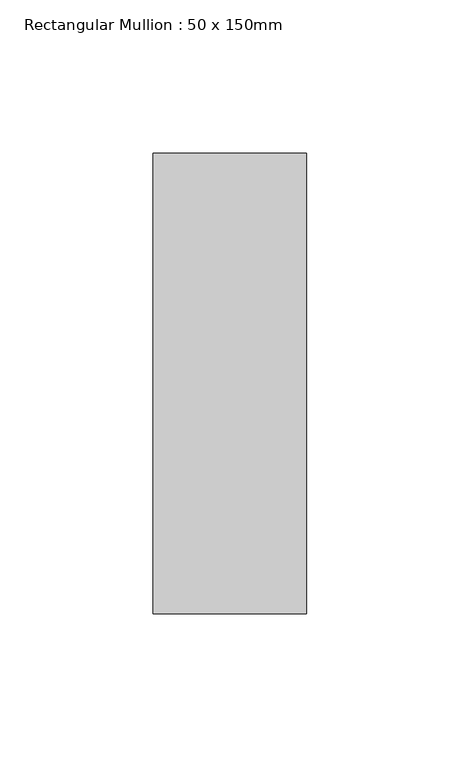
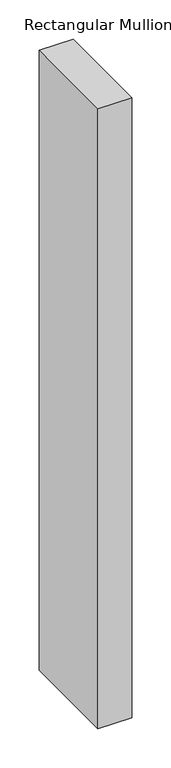
"""IFC4 building model written with IfcOpenShell, lengths in millimetres: member geometry, Rectangular Mullion : 50 x 150mm."""

from ifc_helpers import new_model, si_unit, frame, origin, place, context, project, spatial, polyline, outline, extrude, source, transform, mapped, element, save


def rectangular_mullion_50_x_150mm_add5cdb6(model_context):
    return source(origin(), model_context, "Body", "SweptSolid", [
        extrude(outline(polyline([(25.0, 75.0), (25.0, -75.0), (-25.0, -75.0), (-25.0, 75.0), (25.0, 75.0)])), frame((0.0, 0.0, -966.6666668), z_axis=(0.0, 0.0, 1.0), x_axis=(1.0, 0.0, 0.0)), (0.0, 0.0, 1.0), 966.6666668),
    ])


if __name__ == "__main__":
    model = new_model("IFC4")
    model_context = context("Model", 3, world=origin())
    ifc_project = project(units=[si_unit("LENGTHUNIT", "METRE", prefix="MILLI")], contexts=[model_context])
    site = spatial("IfcSite", under=ifc_project)
    building = spatial("IfcBuilding", under=site)
    placement = place(None, origin())
    rectangular_mullion_50_x_150mm_shape = rectangular_mullion_50_x_150mm_add5cdb6(model_context)
    element("IfcMember", 1, ObjectType="Rectangular Mullion : 50 x 150mm", at=placement, inside=building, context=model_context, shape_type="MappedRepresentation", body=[
        mapped(rectangular_mullion_50_x_150mm_shape, transform((0.0, 0.0, 0.0), x_axis=(1.0, 0.0, 0.0), y_axis=(0.0, 1.0, 0.0), z_axis=(0.0, 0.0, 1.0))),
    ])
    save(model, "model.ifc")
